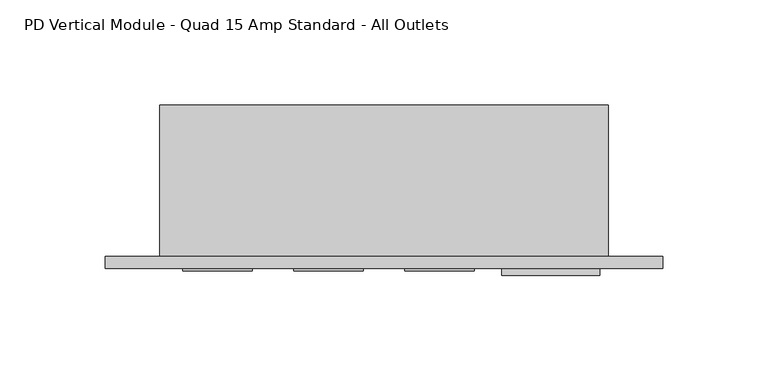
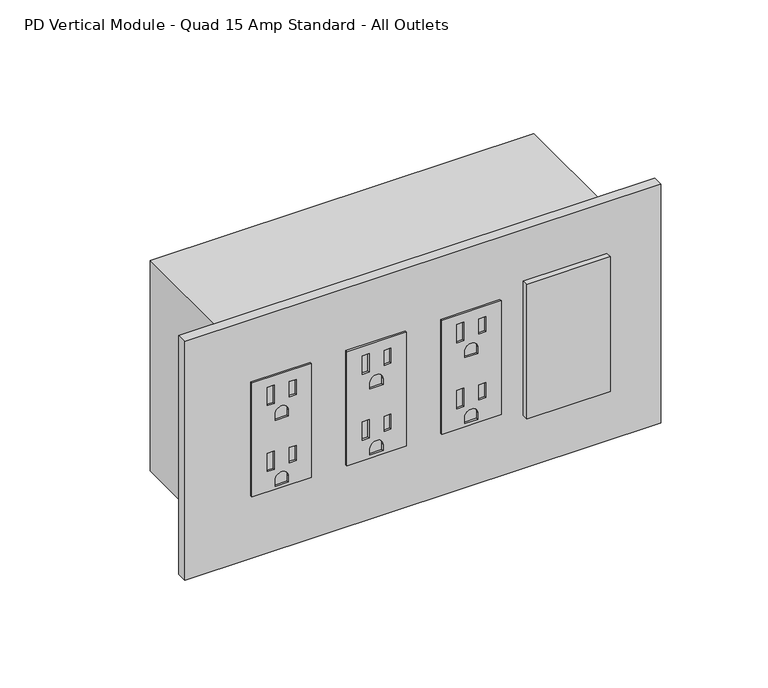
"""IFC4 building model written with IfcOpenShell, lengths in millimetres: proxy geometry, PD Vertical Module - Quad 15 Amp Standard - All Outlets."""

from ifc_helpers import new_model, si_unit, point, frame, frame_2d, origin, place, context, project, spatial, polyline, circle_curve, trimmed, segment, composite_curve, outline, extrude, source, transform, mapped, element, save


def pd_vertical_module_quad_15_amp_standard_all_outlets_71b641b9(model_context):
    return source(origin(), model_context, "Body", "SweptSolid", [
        extrude(outline(polyline([(414.4772, 149.4282), (414.4772, 116.4336), (347.5228, 116.4336), (347.5228, 149.4282), (414.4772, 149.4282)]), holes=[polyline([(409.0924, 128.778), (398.272, 128.778), (398.272, 124.9426), (409.0924, 124.9426), (409.0924, 128.778)]), polyline([(408.1145, 140.9446), (399.2499, 140.9446), (399.2499, 137.1092), (408.1145, 137.1092), (408.1145, 140.9446)]), composite_curve([segment(polyline([(388.0866, 136.5631), (388.0866, 129.2987), (391.7188, 129.2987)]), True, "CONTINUOUS"), segment(trimmed(circle_curve(frame_2d((391.7188, 132.9309)), 3.6322), [point((391.7188, 129.2987))], [point((391.7188, 136.5631))], True, "CARTESIAN"), True, "CONTINUOUS"), segment(polyline([(391.7188, 136.5631), (388.0866, 136.5631)]), True, "CONTINUOUS")], self_intersect=False), polyline([(370.3574, 128.778), (359.537, 128.778), (359.537, 124.9426), (370.3574, 124.9426), (370.3574, 128.778)]), polyline([(369.3795, 140.9446), (360.5149, 140.9446), (360.5149, 137.1092), (369.3795, 137.1092), (369.3795, 140.9446)]), composite_curve([segment(polyline([(349.3516, 136.5631), (349.3516, 129.2987), (352.9838, 129.2987)]), True, "CONTINUOUS"), segment(trimmed(circle_curve(frame_2d((352.9838, 132.9309)), 3.6322), [point((352.9838, 129.2987))], [point((352.9838, 136.5631))], True, "CARTESIAN"), True, "CONTINUOUS"), segment(polyline([(352.9838, 136.5631), (349.3516, 136.5631)]), True, "CONTINUOUS")], self_intersect=False)]), frame((0.0, -6.9294746, 0.0), z_axis=(0.0, 1.0, 0.0), x_axis=(0.0, 0.0, 1.0)), (0.0, 0.0, 1.0), 1.0366746),
        extrude(outline(polyline([(414.4772, 96.7613), (414.4772, 63.7667), (347.5228, 63.7667), (347.5228, 96.7613), (414.4772, 96.7613)]), holes=[polyline([(409.0924, 76.1111), (398.272, 76.1111), (398.272, 72.2757), (409.0924, 72.2757), (409.0924, 76.1111)]), polyline([(408.1145, 88.2777), (399.2499, 88.2777), (399.2499, 84.4423), (408.1145, 84.4423), (408.1145, 88.2777)]), composite_curve([segment(polyline([(388.0866, 83.8962), (388.0866, 76.6318), (391.7188, 76.6318)]), True, "CONTINUOUS"), segment(trimmed(circle_curve(frame_2d((391.7188, 80.264)), 3.6322), [point((391.7188, 76.6318))], [point((391.7188, 83.8962))], True, "CARTESIAN"), True, "CONTINUOUS"), segment(polyline([(391.7188, 83.8962), (388.0866, 83.8962)]), True, "CONTINUOUS")], self_intersect=False), polyline([(370.3574, 76.1111), (359.537, 76.1111), (359.537, 72.2757), (370.3574, 72.2757), (370.3574, 76.1111)]), polyline([(369.3795, 88.2777), (360.5149, 88.2777), (360.5149, 84.4423), (369.3795, 84.4423), (369.3795, 88.2777)]), composite_curve([segment(polyline([(349.3516, 83.8962), (349.3516, 76.6318), (352.9838, 76.6318)]), True, "CONTINUOUS"), segment(trimmed(circle_curve(frame_2d((352.9838, 80.264)), 3.6322), [point((352.9838, 76.6318))], [point((352.9838, 83.8962))], True, "CARTESIAN"), True, "CONTINUOUS"), segment(polyline([(352.9838, 83.8962), (349.3516, 83.8962)]), True, "CONTINUOUS")], self_intersect=False)]), frame((0.0, -6.9294746, 0.0), z_axis=(0.0, 1.0, 0.0), x_axis=(0.0, 0.0, 1.0)), (0.0, 0.0, 1.0), 1.0366746),
        extrude(outline(polyline([(414.4772, 44.0944), (414.4772, 11.0998), (347.5228, 11.0998), (347.5228, 44.0944), (414.4772, 44.0944)]), holes=[polyline([(409.0924, 23.4442), (398.272, 23.4442), (398.272, 19.6088), (409.0924, 19.6088), (409.0924, 23.4442)]), polyline([(408.1145, 35.6108), (399.2499, 35.6108), (399.2499, 31.7754), (408.1145, 31.7754), (408.1145, 35.6108)]), composite_curve([segment(polyline([(388.0866, 31.2293), (388.0866, 23.9649), (391.7188, 23.9649)]), True, "CONTINUOUS"), segment(trimmed(circle_curve(frame_2d((391.7188, 27.5971)), 3.6322), [point((391.7188, 23.9649))], [point((391.7188, 31.2293))], True, "CARTESIAN"), True, "CONTINUOUS"), segment(polyline([(391.7188, 31.2293), (388.0866, 31.2293)]), True, "CONTINUOUS")], self_intersect=False), polyline([(370.3574, 23.4442), (359.537, 23.4442), (359.537, 19.6088), (370.3574, 19.6088), (370.3574, 23.4442)]), polyline([(369.3795, 35.6108), (360.5149, 35.6108), (360.5149, 31.7754), (369.3795, 31.7754), (369.3795, 35.6108)]), composite_curve([segment(polyline([(349.3516, 31.2293), (349.3516, 23.9649), (352.9838, 23.9649)]), True, "CONTINUOUS"), segment(trimmed(circle_curve(frame_2d((352.9838, 27.5971)), 3.6322), [point((352.9838, 23.9649))], [point((352.9838, 31.2293))], True, "CARTESIAN"), True, "CONTINUOUS"), segment(polyline([(352.9838, 31.2293), (349.3516, 31.2293)]), True, "CONTINUOUS")], self_intersect=False)]), frame((0.0, -6.9294746, 0.0), z_axis=(0.0, 1.0, 0.0), x_axis=(0.0, 0.0, 1.0)), (0.0, 0.0, 1.0), 1.0366746),
        extrude(outline(polyline([(162.3314, -5.8928), (208.8642, -5.8928), (208.8642, -9.0678), (162.3314, -9.0678), (162.3314, -5.8928)])), frame((0.0, 0.0, 341.7922742), z_axis=(0.0, 0.0, 1.0), x_axis=(1.0, 0.0, 0.0)), (0.0, 0.0, 1.0), 79.0448),
        extrude(outline(polyline([(-25.6794, 0.0), (238.7092, 0.0), (238.7092, -5.8928), (-25.6794, -5.8928), (-25.6794, 0.0)])), frame((0.0, 0.0, 310.8198), z_axis=(0.0, 0.0, 1.0), x_axis=(1.0, 0.0, 0.0)), (0.0, 0.0, 1.0), 140.3604),
        extrude(outline(polyline([(213.0298, 0.0), (0.0, 0.0), (0.0, 71.7296), (213.0298, 71.7296), (213.0298, 0.0)])), frame((0.0, 0.0, 319.2526), z_axis=(0.0, 0.0, 1.0), x_axis=(1.0, 0.0, 0.0)), (0.0, 0.0, 1.0), 123.4948),
    ])


if __name__ == "__main__":
    model = new_model("IFC4")
    model_context = context("Model", 3, world=origin())
    ifc_project = project(units=[si_unit("LENGTHUNIT", "METRE", prefix="MILLI")], contexts=[model_context])
    site = spatial("IfcSite", under=ifc_project)
    building = spatial("IfcBuilding", under=site)
    placement = place(None, origin())
    pd_vertical_module_quad_15_amp_standard_all_outlets_shape = pd_vertical_module_quad_15_amp_standard_all_outlets_71b641b9(model_context)
    element("IfcBuildingElementProxy", 1, Name="PD Vertical Module - Quad 15 Amp Standard - All Outlets", ObjectType="PD Vertical Module - Quad 15 Amp Standard - All Outlets", at=placement, inside=building, context=model_context, shape_type="MappedRepresentation", body=[
        mapped(pd_vertical_module_quad_15_amp_standard_all_outlets_shape, transform((0.0, 0.0, 0.0), x_axis=(1.0, 0.0, 0.0), y_axis=(0.0, 1.0, 0.0), z_axis=(0.0, 0.0, 1.0))),
    ])
    save(model, "model.ifc")
